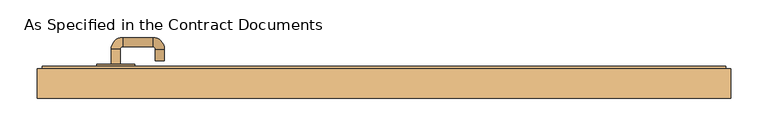
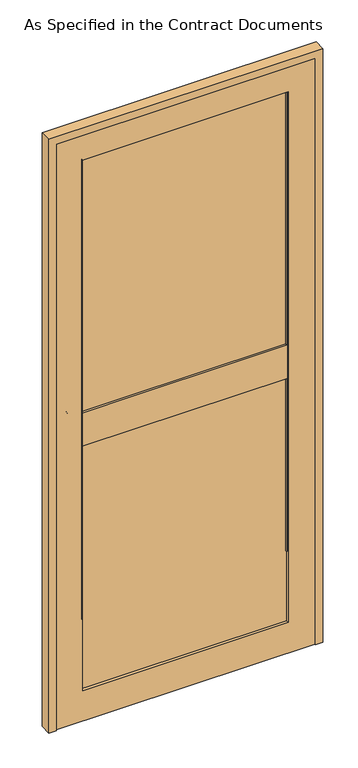
"""IFC4 building model written with IfcOpenShell, lengths in millimetres: door geometry, As Specified in the Contract Documents."""

from ifc_helpers import new_model, si_unit, point, frame, frame_2d, origin, place, context, project, spatial, polyline, circle_curve, ellipse_curve, trimmed, segment, composite_curve, outline, extrude, faceted_brep, source, transform, mapped, element, save
from ifc_brep_helpers import plane_surface, cylinder_surface, revolved_surface, advanced_brep


def as_specified_in_the_contract_documents_f12e59a3(model_context):
    return source(origin(), model_context, "Body", "SolidModel", [
        advanced_brep(
        [(-384.33375, 48.8875, 1089.025), (-372.14175, 48.8875, 1089.025), (-384.33375, 68.6898551, 1089.025), (-372.14175, 68.6898551, 1089.025), (-368.71275, 72.1188551, 1089.025), (-368.71275, 84.3108551, 1089.025), (-328.7559462, 84.3108551, 1089.025), (-328.7559462, 72.1188551, 1089.025), (-325.3269462, 68.6898551, 1089.025), (-313.1349462, 68.6898551, 1089.025), (-313.1349462, 52.9521667, 1089.025), (-325.3269462, 52.9521667, 1089.025)],
        [
            (0, 1, circle_curve(frame((-378.23775, 48.8875, 1089.025), z_axis=(0.0, -1.0, 0.0), x_axis=(1.0, 0.0, 0.0)), 6.096)),
            (1, 0, circle_curve(frame((-378.23775, 48.8875, 1089.025), z_axis=(0.0, -1.0, 0.0), x_axis=(1.0, 0.0, 0.0)), 6.096)),
            (0, 2),
            (2, 3, circle_curve(frame((-378.23775, 68.6898551, 1089.025), z_axis=(0.0, -1.0, 0.0), x_axis=(1.0, 0.0, 0.0)), 6.096)),
            (3, 1),
            (3, 2, circle_curve(frame((-378.23775, 68.6898551, 1089.025), z_axis=(0.0, -1.0, 0.0), x_axis=(1.0, 0.0, 0.0)), 6.096)),
            (4, 3, circle_curve(frame((-368.71275, 68.6898551, 1089.025), z_axis=(0.0, 0.0, 1.0), x_axis=(-1.0, 0.0, 0.0)), 3.429)),
            (2, 5, circle_curve(frame((-368.71275, 68.6898551, 1089.025), z_axis=(0.0, 0.0, -1.0), x_axis=(-1.0, 0.0, 0.0)), 15.621)),
            (5, 4, circle_curve(frame((-368.71275, 78.2148551, 1089.025), z_axis=(-1.0, 0.0, 0.0), x_axis=(0.0, -1.0, 0.0)), 6.096)),
            (4, 5, circle_curve(frame((-368.71275, 78.2148551, 1089.025), z_axis=(-1.0, 0.0, 0.0), x_axis=(0.0, -1.0, 0.0)), 6.096)),
            (5, 6),
            (6, 7, circle_curve(frame((-328.7559462, 78.2148551, 1089.025), z_axis=(-1.0, 0.0, 0.0), x_axis=(0.0, -1.0, 0.0)), 6.096)),
            (7, 4),
            (7, 6, circle_curve(frame((-328.7559462, 78.2148551, 1089.025), z_axis=(-1.0, 0.0, 0.0), x_axis=(0.0, -1.0, 0.0)), 6.096)),
            (8, 7, circle_curve(frame((-328.7559462, 68.6898551, 1089.025), z_axis=(0.0, 0.0, 1.0), x_axis=(0.0, 1.0, 0.0)), 3.429)),
            (6, 9, circle_curve(frame((-328.7559462, 68.6898551, 1089.025), z_axis=(0.0, 0.0, -1.0), x_axis=(0.0, 1.0, 0.0)), 15.621)),
            (9, 8, circle_curve(frame((-319.2309462, 68.6898551, 1089.025), z_axis=(0.0, 1.0, 0.0), x_axis=(-1.0, 0.0, 0.0)), 6.096)),
            (8, 9, circle_curve(frame((-319.2309462, 68.6898551, 1089.025), z_axis=(0.0, 1.0, 0.0), x_axis=(-1.0, 0.0, 0.0)), 6.096)),
            (10, 11, circle_curve(frame((-319.2309462, 52.9521667, 1089.025), z_axis=(0.0, -1.0, 0.0), x_axis=(-1.0, 0.0, 0.0)), 6.096)),
            (11, 10, circle_curve(frame((-319.2309462, 52.9521667, 1089.025), z_axis=(0.0, -1.0, 0.0), x_axis=(-1.0, 0.0, 0.0)), 6.096)),
            (9, 10),
            (11, 8),
        ],
        [
            plane_surface(frame((-378.23775, 48.8875, 1089.025), z_axis=(0.0, -1.0, 0.0), x_axis=(0.0, 0.0, -1.0))),
            cylinder_surface(frame((-378.23775, 48.8875, 1089.025), z_axis=(0.0, -1.0, 0.0), x_axis=(1.0, 0.0, 0.0)), 6.096),
            revolved_surface(trimmed(ellipse_curve(frame((-378.23775, 68.6898551, 1089.025), z_axis=(0.0, -1.0, 0.0), x_axis=(1.0, 0.0, 0.0)), 6.096, 6.096), [point((-384.33375, 68.6898551, 1089.025))], [point((-372.14175, 68.6898551, 1089.025))], True, "CARTESIAN"), (-368.71275, 68.6898551, 1089.025), (0.0, 0.0, -1.0)),
            revolved_surface(trimmed(ellipse_curve(frame((-378.23775, 68.6898551, 1089.025), z_axis=(0.0, -1.0, 0.0), x_axis=(1.0, 0.0, 0.0)), 6.096, 6.096), [point((-372.14175, 68.6898551, 1089.025))], [point((-384.33375, 68.6898551, 1089.025))], True, "CARTESIAN"), (-368.71275, 68.6898551, 1089.025), (0.0, 0.0, -1.0)),
            cylinder_surface(frame((-368.71275, 78.2148551, 1089.025), z_axis=(-1.0, 0.0, 0.0), x_axis=(0.0, -1.0, 0.0)), 6.096),
            revolved_surface(trimmed(ellipse_curve(frame((-328.7559462, 78.2148551, 1089.025), z_axis=(-1.0, 0.0, 0.0), x_axis=(0.0, -1.0, 0.0)), 6.096, 6.096), [point((-328.7559462, 84.3108551, 1089.025))], [point((-328.7559462, 72.1188551, 1089.025))], True, "CARTESIAN"), (-328.7559462, 68.6898551, 1089.025), (0.0, 0.0, -1.0)),
            revolved_surface(trimmed(ellipse_curve(frame((-328.7559462, 78.2148551, 1089.025), z_axis=(-1.0, 0.0, 0.0), x_axis=(0.0, -1.0, 0.0)), 6.096, 6.096), [point((-328.7559462, 72.1188551, 1089.025))], [point((-328.7559462, 84.3108551, 1089.025))], True, "CARTESIAN"), (-328.7559462, 68.6898551, 1089.025), (0.0, 0.0, -1.0)),
            plane_surface(frame((-319.2309462, 52.9521667, 1089.025), z_axis=(0.0, -1.0, 0.0), x_axis=(0.0, 0.0, -1.0))),
            cylinder_surface(frame((-319.2309462, 68.6898551, 1089.025), z_axis=(0.0, 1.0, 0.0), x_axis=(-1.0, 0.0, 0.0)), 6.096),
        ],
        [
            (0, [[1, 2]]),
            (1, [[-1, 3, 4, 5]]),
            (1, [[-2, -5, 6, -3]]),
            (2, [[7, -4, 8, 9]]),
            (3, [[-8, -6, -7, 10]]),
            (4, [[-9, 11, 12, 13]]),
            (4, [[-10, -13, 14, -11]]),
            (5, [[15, -12, 16, 17]]),
            (6, [[-16, -14, -15, 18]]),
            (7, [[19, 20]]),
            (8, [[-17, 21, -20, 22]]),
            (8, [[-18, -22, -19, -21]]),
        ],
    ),
        extrude(outline(composite_curve([segment(trimmed(circle_curve(frame_2d((1089.025, -378.23775)), 25.4), [point((1089.025, -352.83775))], [point((1089.025, -403.63775))], False, "CARTESIAN"), True, "CONTINUOUS"), segment(trimmed(circle_curve(frame_2d((1089.025, -378.23775)), 25.4), [point((1089.025, -403.63775))], [point((1089.025, -352.83775))], False, "CARTESIAN"), True, "CONTINUOUS")], self_intersect=False)), frame((0.0, 42.5375, 0.0), z_axis=(0.0, 1.0, 0.0), x_axis=(0.0, 0.0, 1.0)), (0.0, 0.0, 1.0), 6.35),
        extrude(outline(composite_curve([segment(trimmed(circle_curve(frame_2d((1021.6417023, -378.23775)), 19.05), [point((1021.6417023, -359.18775))], [point((1021.6417023, -397.28775))], False, "CARTESIAN"), True, "CONTINUOUS"), segment(trimmed(circle_curve(frame_2d((1021.6417023, -378.23775)), 19.05), [point((1021.6417023, -397.28775))], [point((1021.6417023, -359.18775))], False, "CARTESIAN"), True, "CONTINUOUS")], self_intersect=False)), frame((0.0, 42.5375, 0.0), z_axis=(0.0, 1.0, 0.0), x_axis=(0.0, 0.0, 1.0)), (0.0, 0.0, 1.0), 6.35),
        faceted_brep([(437.73725, 42.5375, 17.4625), (444.08725, 42.5375, 17.4625), (444.08725, 2.85, 17.4625), (418.68725, 2.85, 17.4625), (418.68725, 6.025, 17.4625), (437.73725, 6.025, 17.4625), (437.73725, 42.5375, 2133.6), (-476.66275, 42.5375, 2133.6), (-476.66275, 42.5375, 17.4625), (-483.01275, 42.5375, 17.4625), (-483.01275, 42.5375, 2139.95), (444.08725, 42.5375, 2139.95), (444.08725, 2.85, 2139.95), (-483.01275, 2.85, 2139.95), (-483.01275, 2.85, 17.4625), (-457.61275, 2.85, 17.4625), (-457.61275, 2.85, 2114.55), (418.68725, 2.85, 2114.55), (418.68725, 6.025, 2114.55), (-457.61275, 6.025, 2114.55), (-457.61275, 6.025, 17.4625), (-476.66275, 6.025, 17.4625), (-476.66275, 6.025, 2133.6), (437.73725, 6.025, 2133.6)], [[[0, 1, 2, 3, 4, 5]], [[1, 0, 6, 7, 8, 9, 10, 11]], [[2, 1, 11, 12]], [[3, 2, 12, 13, 14, 15, 16, 17]], [[4, 3, 17, 18]], [[5, 4, 18, 19, 20, 21, 22, 23]], [[0, 5, 23, 6]], [[12, 11, 10, 13]], [[18, 17, 16, 19]], [[6, 23, 22, 7]], [[8, 21, 20, 15, 14, 9]], [[13, 10, 9, 14]], [[19, 16, 15, 20]], [[7, 22, 21, 8]]]),
        extrude(outline(polyline([(328.1908866, 9.2), (-367.1163866, 9.2), (-367.1163866, 42.5375), (328.1908866, 42.5375), (328.1908866, 9.2)])), frame((0.0, 0.0, 998.4928349), z_axis=(0.0, 0.0, 1.0), x_axis=(1.0, 0.0, 0.0)), (0.0, 0.0, 1.0), 118.9790824),
        extrude(outline(polyline([(437.73725, 16.34375), (-476.66275, 16.34375), (-476.66275, 35.39375), (437.73725, 35.39375), (437.73725, 16.34375)])), frame((0.0, 0.0, 17.4625), z_axis=(0.0, 0.0, 1.0), x_axis=(1.0, 0.0, 0.0)), (0.0, 0.0, 1.0), 2116.1375),
        extrude(outline(polyline([(2133.6, -476.66275), (17.4625, -476.66275), (17.4625, 437.73725), (2133.6, 437.73725), (2133.6, -476.66275)]), holes=[polyline([(2024.0536366, -367.1163866), (2024.0536366, 328.1908866), (127.0088634, 328.1908866), (127.0088634, -367.1163866), (2024.0536366, -367.1163866)])]), frame((0.0, 6.025, 0.0), z_axis=(0.0, 1.0, 0.0), x_axis=(0.0, 0.0, 1.0)), (0.0, 0.0, 1.0), 39.6875),
        advanced_brep(
        [(-367.1163866, 16.34375, 379.4213634), (-363.5492895, 16.34375, 379.4213634), (-365.6880295, 11.2399053, 379.4213634), (-367.1163866, 9.2, 379.4213634), (-367.1163866, 16.34375, 2024.0536366), (328.1908866, 16.34375, 2024.0536366), (328.1908866, 16.34375, 379.4213634), (324.6237895, 16.34375, 379.4213634), (324.6237895, 16.34375, 2020.4865395), (-363.5492895, 16.34375, 2020.4865395), (-365.6880295, 11.2399053, 2022.6252795), (-367.1163866, 9.2, 2024.0536366), (326.7625295, 11.2399053, 2022.6252795), (328.1908866, 9.2, 2024.0536366), (328.1908866, 9.2, 379.4213634), (326.7625295, 11.2399053, 379.4213634)],
        [
            (0, 1),
            (1, 2, circle_curve(frame((-368.772471, 15.5324611, 379.4213634), z_axis=(0.0, 0.0, -1.0), x_axis=(0.0, -1.0, 0.0)), 5.2858126)),
            (2, 3),
            (3, 0),
            (0, 4),
            (4, 5),
            (5, 6),
            (6, 7),
            (7, 8),
            (8, 9),
            (9, 1),
            (9, 10, ellipse_curve(frame((-368.772471, 15.5324611, 2025.709721), z_axis=(-0.7071067811865475, 0.0, -0.7071067811865475), x_axis=(0.7071067811865474, 0.0, -0.7071067811865476)), 7.4752678, 5.2858126)),
            (10, 2),
            (10, 11),
            (11, 3),
            (11, 4),
            (8, 12, ellipse_curve(frame((329.846971, 15.5324611, 2025.709721), z_axis=(-0.7071067811865475, 0.0, 0.7071067811865475), x_axis=(-0.7071067811865476, 0.0, -0.7071067811865474)), 7.4752678, 5.2858126)),
            (12, 10),
            (12, 13),
            (13, 11),
            (13, 5),
            (6, 14),
            (14, 15),
            (15, 7, circle_curve(frame((329.846971, 15.5324611, 379.4213634), z_axis=(0.0, 0.0, -1.0), x_axis=(0.0, -1.0, 0.0)), 5.2858126)),
            (15, 12),
            (14, 13),
        ],
        [
            plane_surface(frame((-367.1163866, 6.025, 379.4213634), z_axis=(0.0, 0.0, -1.0), x_axis=(1.0, 0.0, 0.0))),
            plane_surface(frame((-367.1163866, 16.34375, 379.4213634), z_axis=(0.0, 1.0, 0.0), x_axis=(0.0, 0.0, 1.0))),
            cylinder_surface(frame((-368.772471, 15.5324611, 379.4213634), z_axis=(0.0, 0.0, -1.0), x_axis=(0.0, -1.0, 0.0)), 5.2858126),
            plane_surface(frame((-365.6880295, 11.2399053, 379.4213634), z_axis=(0.8191520442889904, -0.5735764363510482, 0.0), x_axis=(0.0, 0.0, 1.0))),
            plane_surface(frame((-367.1163866, 9.2, 379.4213634), z_axis=(-1.0, 0.0, 0.0), x_axis=(0.0, 0.0, 1.0))),
            cylinder_surface(frame((-367.1163866, 15.5324611, 2025.709721), z_axis=(-1.0, 0.0, 0.0), x_axis=(0.0, -1.0, 0.0)), 5.2858126),
            plane_surface(frame((-365.6880295, 11.2399053, 2022.6252795), z_axis=(0.0, -0.5735764363510482, -0.8191520442889904), x_axis=(1.0, 0.0, 0.0))),
            plane_surface(frame((-367.1163866, 9.2, 2024.0536366), z_axis=(0.0, 0.0, 1.0), x_axis=(1.0, 0.0, 0.0))),
            plane_surface(frame((328.1908866, 6.025, 379.4213634), z_axis=(0.0, 0.0, -1.0), x_axis=(-1.0, 0.0, 0.0))),
            cylinder_surface(frame((329.846971, 15.5324611, 2024.0536366), z_axis=(0.0, 0.0, 1.0), x_axis=(0.0, -1.0, 0.0)), 5.2858126),
            plane_surface(frame((326.7625295, 11.2399053, 2022.6252795), z_axis=(-0.8191520442889904, -0.5735764363510482, 0.0), x_axis=(0.0, 0.0, -1.0))),
            plane_surface(frame((328.1908866, 9.2, 2024.0536366), z_axis=(1.0, 0.0, 0.0), x_axis=(0.0, 0.0, -1.0))),
        ],
        [
            (0, [[1, 2, 3, 4]]),
            (1, [[-1, 5, 6, 7, 8, 9, 10, 11]]),
            (2, [[-2, -11, 12, 13]]),
            (3, [[-3, -13, 14, 15]]),
            (4, [[-4, -15, 16, -5]]),
            (5, [[-12, -10, 17, 18]]),
            (6, [[-14, -18, 19, 20]]),
            (7, [[-16, -20, 21, -6]]),
            (8, [[22, 23, 24, -8]]),
            (9, [[-17, -9, -24, 25]]),
            (10, [[-19, -25, -23, 26]]),
            (11, [[-21, -26, -22, -7]]),
        ],
    ),
        advanced_brep(
        [(328.1908866, 35.39375, 379.4213634), (324.6237895, 35.39375, 379.4213634), (326.7625295, 40.4975947, 379.4213634), (328.1908866, 42.5375, 379.4213634), (328.1908866, 35.39375, 2024.0536366), (-367.1163866, 35.39375, 2024.0536366), (-367.1163866, 35.39375, 379.4213634), (-363.5492895, 35.39375, 379.4213634), (-363.5492895, 35.39375, 2020.4865395), (324.6237895, 35.39375, 2020.4865395), (326.7625295, 40.4975947, 2022.6252795), (328.1908866, 42.5375, 2024.0536366), (-365.6880295, 40.4975947, 2022.6252795), (-367.1163866, 42.5375, 2024.0536366), (-367.1163866, 42.5375, 379.4213634), (-365.6880295, 40.4975947, 379.4213634)],
        [
            (0, 1),
            (1, 2, circle_curve(frame((329.846971, 36.2050389, 379.4213634), z_axis=(0.0, 0.0, -1.0), x_axis=(0.0, 1.0, 0.0)), 5.2858126)),
            (2, 3),
            (3, 0),
            (0, 4),
            (4, 5),
            (5, 6),
            (6, 7),
            (7, 8),
            (8, 9),
            (9, 1),
            (9, 10, ellipse_curve(frame((329.846971, 36.2050389, 2025.709721), z_axis=(0.7071067811865475, 0.0, -0.7071067811865475), x_axis=(-0.7071067811865474, 0.0, -0.7071067811865476)), 7.4752678, 5.2858126)),
            (10, 2),
            (10, 11),
            (11, 3),
            (11, 4),
            (8, 12, ellipse_curve(frame((-368.772471, 36.2050389, 2025.709721), z_axis=(0.7071067811865475, 0.0, 0.7071067811865475), x_axis=(0.7071067811865476, 0.0, -0.7071067811865474)), 7.4752678, 5.2858126)),
            (12, 10),
            (12, 13),
            (13, 11),
            (13, 5),
            (6, 14),
            (14, 15),
            (15, 7, circle_curve(frame((-368.772471, 36.2050389, 379.4213634), z_axis=(0.0, 0.0, -1.0), x_axis=(0.0, 1.0, 0.0)), 5.2858126)),
            (15, 12),
            (14, 13),
        ],
        [
            plane_surface(frame((328.1908866, 45.7125, 379.4213634), z_axis=(0.0, 0.0, -1.0), x_axis=(-1.0, 0.0, 0.0))),
            plane_surface(frame((328.1908866, 35.39375, 379.4213634), z_axis=(0.0, -1.0, 0.0), x_axis=(0.0, 0.0, 1.0))),
            cylinder_surface(frame((329.846971, 36.2050389, 379.4213634), z_axis=(0.0, 0.0, -1.0), x_axis=(0.0, 1.0, 0.0)), 5.2858126),
            plane_surface(frame((326.7625295, 40.4975947, 379.4213634), z_axis=(-0.8191520442889904, 0.5735764363510482, 0.0), x_axis=(0.0, 0.0, 1.0))),
            plane_surface(frame((328.1908866, 42.5375, 379.4213634), z_axis=(1.0, 0.0, 0.0), x_axis=(0.0, 0.0, 1.0))),
            cylinder_surface(frame((328.1908866, 36.2050389, 2025.709721), z_axis=(1.0, 0.0, 0.0), x_axis=(0.0, 1.0, 0.0)), 5.2858126),
            plane_surface(frame((326.7625295, 40.4975947, 2022.6252795), z_axis=(0.0, 0.5735764363510482, -0.8191520442889904), x_axis=(-1.0, 0.0, 0.0))),
            plane_surface(frame((328.1908866, 42.5375, 2024.0536366), z_axis=(0.0, 0.0, 1.0), x_axis=(-1.0, 0.0, 0.0))),
            plane_surface(frame((-367.1163866, 45.7125, 379.4213634), z_axis=(0.0, 0.0, -1.0), x_axis=(1.0, 0.0, 0.0))),
            cylinder_surface(frame((-368.772471, 36.2050389, 2024.0536366), z_axis=(0.0, 0.0, 1.0), x_axis=(0.0, 1.0, 0.0)), 5.2858126),
            plane_surface(frame((-365.6880295, 40.4975947, 2022.6252795), z_axis=(0.8191520442889904, 0.5735764363510482, 0.0), x_axis=(0.0, 0.0, -1.0))),
            plane_surface(frame((-367.1163866, 42.5375, 2024.0536366), z_axis=(-1.0, 0.0, 0.0), x_axis=(0.0, 0.0, -1.0))),
        ],
        [
            (0, [[1, 2, 3, 4]]),
            (1, [[-1, 5, 6, 7, 8, 9, 10, 11]]),
            (2, [[-2, -11, 12, 13]]),
            (3, [[-3, -13, 14, 15]]),
            (4, [[-4, -15, 16, -5]]),
            (5, [[-12, -10, 17, 18]]),
            (6, [[-14, -18, 19, 20]]),
            (7, [[-16, -20, 21, -6]]),
            (8, [[22, 23, 24, -8]]),
            (9, [[-17, -9, -24, 25]]),
            (10, [[-19, -25, -23, 26]]),
            (11, [[-21, -26, -22, -7]]),
        ],
    ),
    ])


if __name__ == "__main__":
    model = new_model("IFC4")
    model_context = context("Model", 3, world=origin())
    ifc_project = project(units=[si_unit("LENGTHUNIT", "METRE", prefix="MILLI")], contexts=[model_context])
    site = spatial("IfcSite", under=ifc_project)
    building = spatial("IfcBuilding", under=site)
    placement = place(None, origin())
    as_specified_in_the_contract_documents_shape = as_specified_in_the_contract_documents_f12e59a3(model_context)
    element("IfcDoor", 1, ObjectType="As Specified in the Contract Documents", at=placement, inside=building, context=model_context, shape_type="MappedRepresentation", body=[
        mapped(as_specified_in_the_contract_documents_shape, transform((0.0, 0.0, 0.0), x_axis=(1.0, 0.0, 0.0), y_axis=(0.0, 1.0, 0.0), z_axis=(0.0, 0.0, 1.0))),
    ])
    save(model, "model.ifc")
